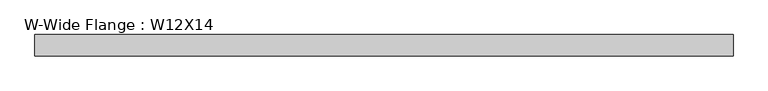
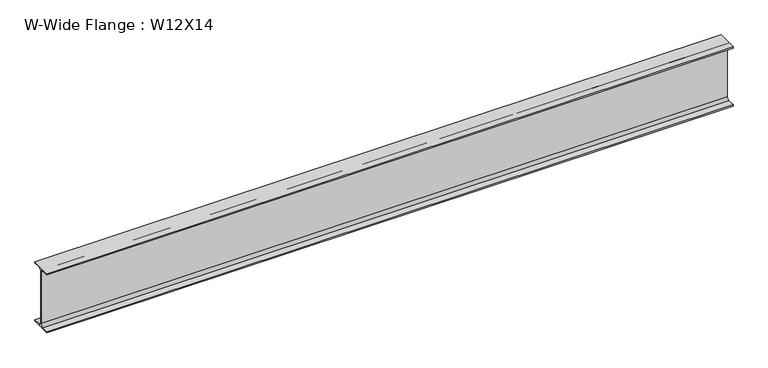
"""IFC4 building model written with IfcOpenShell, lengths in millimetres: beam geometry, W-Wide Flange : W12X14."""

from ifc_helpers import new_model, si_unit, point, frame, frame_2d, origin, place, context, project, spatial, polyline, circle_curve, trimmed, segment, composite_curve, outline, extrude, source, transform, mapped, element, save


def w_wide_flange_w12x14_54bedb57(model_context):
    return source(origin(), model_context, "Body", "SweptSolid", [
        extrude(outline(composite_curve([segment(polyline([(50.403125, -145.3554688), (50.403125, -151.1101563), (-50.403125, -151.1101563), (-50.403125, -145.3554688), (-15.8253906, -145.3554688)]), True, "CONTINUOUS"), segment(trimmed(circle_curve(frame_2d((-15.8253906, -132.0601563)), 13.2953125), [point((-15.8253906, -145.3554688))], [point((-2.5300781, -132.0601563))], True, "CARTESIAN"), True, "CONTINUOUS"), segment(polyline([(-2.5300781, -132.0601563), (-2.5300781, 132.0601562)]), True, "CONTINUOUS"), segment(trimmed(circle_curve(frame_2d((-15.8253906, 132.0601562)), 13.2953125), [point((-2.5300781, 132.0601562))], [point((-15.8253906, 145.3554687))], True, "CARTESIAN"), True, "CONTINUOUS"), segment(polyline([(-15.8253906, 145.3554687), (-50.403125, 145.3554687), (-50.403125, 151.1101562), (50.403125, 151.1101562), (50.403125, 145.3554687), (15.8253906, 145.3554687)]), True, "CONTINUOUS"), segment(trimmed(circle_curve(frame_2d((15.8253906, 132.0601562)), 13.2953125), [point((15.8253906, 145.3554687))], [point((2.5300781, 132.0601562))], True, "CARTESIAN"), True, "CONTINUOUS"), segment(polyline([(2.5300781, 132.0601562), (2.5300781, -132.0601563)]), True, "CONTINUOUS"), segment(trimmed(circle_curve(frame_2d((15.8253906, -132.0601563)), 13.2953125), [point((2.5300781, -132.0601563))], [point((15.8253906, -145.3554688))], True, "CARTESIAN"), True, "CONTINUOUS"), segment(polyline([(15.8253906, -145.3554688), (50.403125, -145.3554688)]), True, "CONTINUOUS")], self_intersect=False)), frame((-1657.35, 0.0, 0.0), z_axis=(1.0, 0.0, 0.0), x_axis=(0.0, 1.0, 0.0)), (0.0, 0.0, 1.0), 3314.7),
    ])


if __name__ == "__main__":
    model = new_model("IFC4")
    model_context = context("Model", 3, world=origin())
    ifc_project = project(units=[si_unit("LENGTHUNIT", "METRE", prefix="MILLI")], contexts=[model_context])
    site = spatial("IfcSite", under=ifc_project)
    building = spatial("IfcBuilding", under=site)
    placement = place(None, origin())
    w_wide_flange_w12x14_shape = w_wide_flange_w12x14_54bedb57(model_context)
    element("IfcBeam", 1, ObjectType="W-Wide Flange : W12X14", at=placement, inside=building, context=model_context, shape_type="MappedRepresentation", body=[
        mapped(w_wide_flange_w12x14_shape, transform((0.0, 0.0, 0.0), x_axis=(1.0, 0.0, 0.0), y_axis=(0.0, 1.0, 0.0), z_axis=(0.0, 0.0, 1.0))),
    ])
    save(model, "model.ifc")
